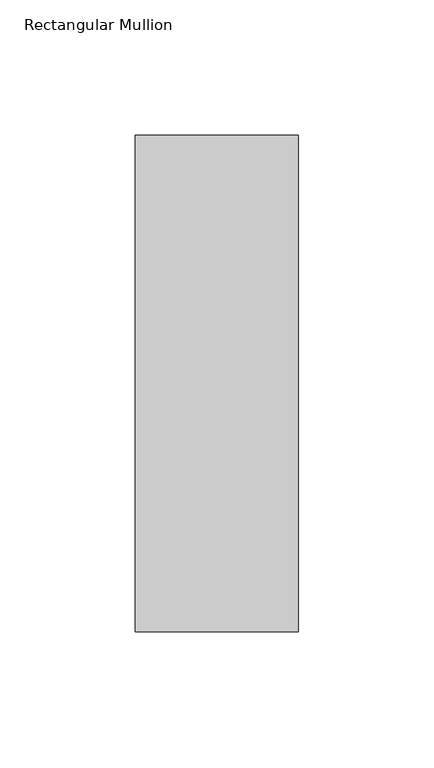
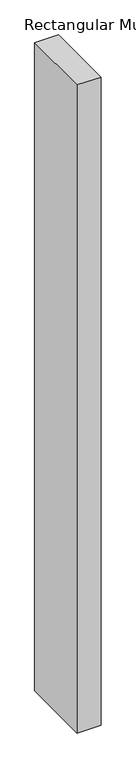
"""IFC4 building model written with IfcOpenShell, lengths in millimetres: member geometry, Rectangular Mullion."""

from ifc_helpers import new_model, si_unit, frame, origin, place, context, project, spatial, polyline, outline, extrude, source, transform, mapped, element, save


def rectangular_mullion_b7a520a9(model_context):
    return source(origin(), model_context, "Body", "SweptSolid", [
        extrude(outline(polyline([(30.0, 137.05), (30.0, -46.05), (-30.0, -46.05), (-30.0, 137.05), (30.0, 137.05)])), frame((0.0, 0.0, -1708.8912252), z_axis=(0.0, 0.0, 1.0), x_axis=(1.0, 0.0, 0.0)), (0.0, 0.0, 1.0), 1708.8912252),
    ])


if __name__ == "__main__":
    model = new_model("IFC4")
    model_context = context("Model", 3, world=origin())
    ifc_project = project(units=[si_unit("LENGTHUNIT", "METRE", prefix="MILLI")], contexts=[model_context])
    site = spatial("IfcSite", under=ifc_project)
    building = spatial("IfcBuilding", under=site)
    placement = place(None, origin())
    rectangular_mullion_shape = rectangular_mullion_b7a520a9(model_context)
    element("IfcMember", 1, ObjectType="Rectangular Mullion", at=placement, inside=building, context=model_context, shape_type="MappedRepresentation", body=[
        mapped(rectangular_mullion_shape, transform((0.0, 0.0, 0.0), x_axis=(1.0, 0.0, 0.0), y_axis=(0.0, 1.0, 0.0), z_axis=(0.0, 0.0, 1.0))),
    ])
    save(model, "model.ifc")
